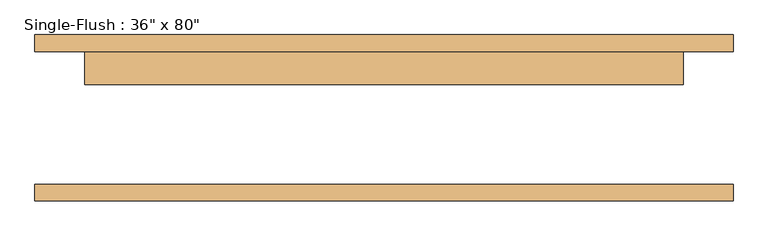
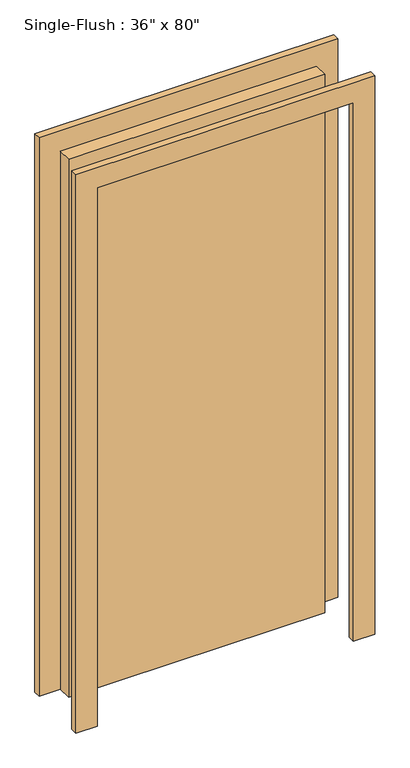
"""IFC4 building model written with IfcOpenShell, lengths in millimetres: door geometry."""

from ifc_helpers import new_model, si_unit, frame, origin, origin_with_axes, place, context, project, spatial, polyline, outline, extrude, source, transform, mapped, element, save


def door_4f2f89b6(model_context):
    return source(origin(), model_context, "Body", "SweptSolid", [
        extrude(outline(polyline([(2108.2, -533.4), (0.0, -533.4), (0.0, -457.2), (2032.0, -457.2), (2032.0, 457.2), (0.0, 457.2), (0.0, 533.4), (2108.2, 533.4), (2108.2, -533.4)])), frame((0.0, 101.6, 0.0), z_axis=(0.0, 1.0, 0.0), x_axis=(0.0, 0.0, 1.0)), (0.0, 0.0, 1.0), 25.4),
        extrude(outline(polyline([(2108.2, 533.4), (2108.2, -533.4), (0.0, -533.4), (0.0, -457.2), (2032.0, -457.2), (2032.0, 457.2), (0.0, 457.2), (0.0, 533.4), (2108.2, 533.4)])), frame((0.0, -127.0, 0.0), z_axis=(0.0, 1.0, 0.0), x_axis=(0.0, 0.0, 1.0)), (0.0, 0.0, 1.0), 25.4),
        extrude(outline(polyline([(457.2, 50.8), (-457.2, 50.8), (-457.2, 101.6), (457.2, 101.6), (457.2, 50.8)])), origin_with_axes(), (0.0, 0.0, 1.0), 2032.0),
    ])


if __name__ == "__main__":
    model = new_model("IFC4")
    model_context = context("Model", 3, world=origin())
    ifc_project = project(units=[si_unit("LENGTHUNIT", "METRE", prefix="MILLI")], contexts=[model_context])
    site = spatial("IfcSite", under=ifc_project)
    building = spatial("IfcBuilding", under=site)
    placement = place(None, origin())
    door_shape = door_4f2f89b6(model_context)
    element("IfcDoor", 1, ObjectType="Single-Flush : 36\" x 80\"", at=placement, inside=building, context=model_context, shape_type="MappedRepresentation", body=[
        mapped(door_shape, transform((0.0, 0.0, 0.0), x_axis=(1.0, 0.0, 0.0), y_axis=(0.0, 1.0, 0.0), z_axis=(0.0, 0.0, 1.0))),
    ])
    save(model, "model.ifc")
